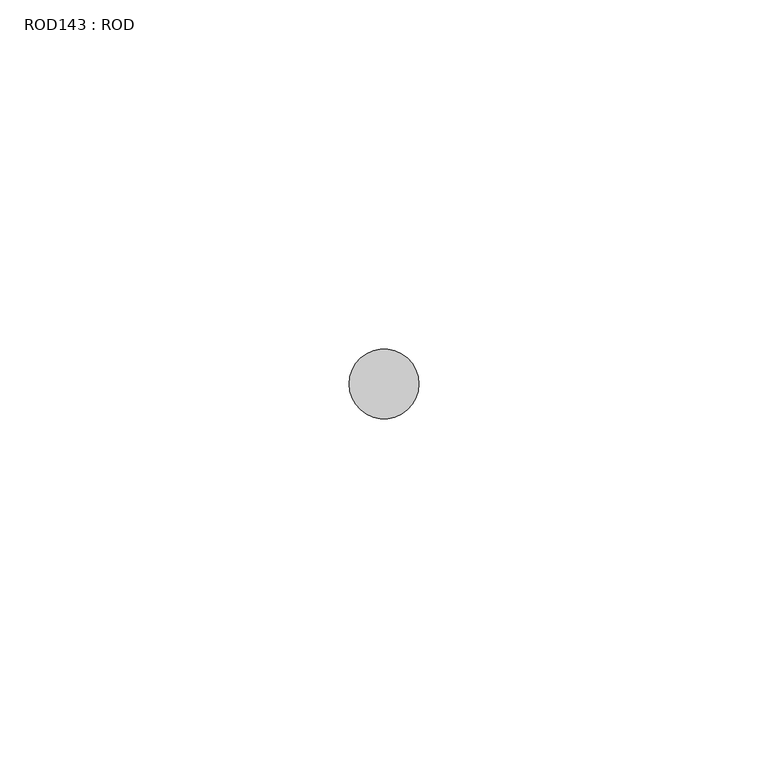
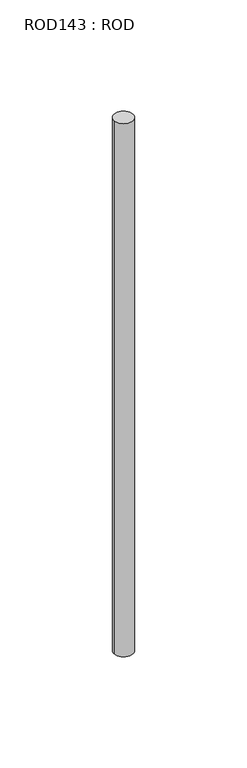
"""IFC4 building model written with IfcOpenShell, lengths in millimetres: proxy geometry, ROD143 : ROD."""

import ifcopenshell
import ifcopenshell.guid

model = None  # the IFC model being written
_history = None  # IfcOwnerHistory: only IFC2X3 demands one
_inside = {}  # id of a spatial element -> (the spatial element, [elements in it])
_under = {}  # id of a project, library or spatial element -> (it, [spatial elements below it])
_declared = {}  # id of a project -> (the project, [libraries it declares])
_typed = {}  # id of a type object -> (the type object, [elements of that type])
_made_of = {}  # id of a material, layer set ... -> (it, [elements and type objects made of it])


def new_model(schema):
    """Start an empty IFC model of exactly this schema.

    Asked for "IFC4X3", IfcOpenShell would pick the latest addendum, in which some entities
    have other attributes; the version numbers below select the first issue.
    IFC2X3 requires an IfcOwnerHistory on every rooted entity: one is made here for all.
    """
    global model, _history
    if schema == "IFC4X3":
        model = ifcopenshell.file(schema_version=(4, 3, 0, 0))
    else:
        model = ifcopenshell.file(schema=schema)
    _inside.clear()
    _under.clear()
    _declared.clear()
    _typed.clear()
    _made_of.clear()
    _history = None
    if model.schema == "IFC2X3":
        org = make("IfcOrganization", Name="unknown")
        user = make(
            "IfcPersonAndOrganization",
            ThePerson=make("IfcPerson", FamilyName="unknown"),
            TheOrganization=org,
        )
        app = make(
            "IfcApplication",
            ApplicationDeveloper=org,
            Version="unknown",
            ApplicationFullName="unknown",
            ApplicationIdentifier="unknown",
        )
        _history = make(
            "IfcOwnerHistory",
            OwningUser=user,
            OwningApplication=app,
            ChangeAction="ADDED",
            CreationDate=0,
        )
    return model


def make(cls, **values):
    """One entity of the class cls with the attributes given. An attribute that is None is left unset."""
    return model.create_entity(
        cls, **{name: value for name, value in values.items() if value is not None}
    )


def rooted(cls, **values):
    """An entity with a GlobalId (a new one), such as an element, a storey or a relation."""
    return make(cls, GlobalId=ifcopenshell.guid.new(), OwnerHistory=_history, **values)


def si_unit(unit_type, name, prefix=None):
    """IfcSIUnit, for example si_unit("LENGTHUNIT", "METRE", prefix="MILLI")."""
    return make("IfcSIUnit", UnitType=unit_type, Prefix=prefix, Name=name)


def assignment(units):
    """IfcUnitAssignment: the units of a project."""
    return None if units is None else make("IfcUnitAssignment", Units=units)


def point(xyz):
    """IfcCartesianPoint."""
    return None if xyz is None else make("IfcCartesianPoint", Coordinates=xyz)


def direction(xyz):
    """IfcDirection."""
    return None if xyz is None else make("IfcDirection", DirectionRatios=xyz)


def frame(location, z_axis=None, x_axis=None):
    """IfcAxis2Placement3D, a coordinate frame: its origin and axes. An axis left out is left unset."""
    return make(
        "IfcAxis2Placement3D",
        Location=point(location),
        Axis=direction(z_axis),
        RefDirection=direction(x_axis),
    )


def frame_2d(location, x_axis=None):
    """IfcAxis2Placement2D, a coordinate frame in the plane: its origin and x axis."""
    return make(
        "IfcAxis2Placement2D", Location=point(location), RefDirection=direction(x_axis)
    )


def origin():
    """The frame at (0, 0, 0) with its axes left unset."""
    return frame((0.0, 0.0, 0.0))


def place(relative_to, where):
    """IfcLocalPlacement: puts the frame where relative to a parent placement (None: the world)."""
    return make(
        "IfcLocalPlacement", PlacementRelTo=relative_to, RelativePlacement=where
    )


def context(
    kind, dimensions, precision=None, world=None, true_north=None, identifier=None
):
    """IfcGeometricRepresentationContext, for example the 3D "Model" context."""
    return make(
        "IfcGeometricRepresentationContext",
        ContextIdentifier=identifier,
        ContextType=kind,
        CoordinateSpaceDimension=dimensions,
        Precision=precision,
        WorldCoordinateSystem=world,
        TrueNorth=true_north,
    )


def project(units=None, contexts=None):
    """IfcProject with its units and contexts."""
    return rooted(
        "IfcProject",
        Name="project",
        RepresentationContexts=contexts,
        UnitsInContext=assignment(units),
    )


def spatial(cls, under=None, at=None, **own):
    """A site, building, storey or space (cls), placed at a placement, below another one or the project."""
    s = rooted(cls, ObjectPlacement=at, **own)
    if under is not None:
        _under.setdefault(under.id(), (under, []))[1].append(s)
    return s


def circle_curve(where, radius):
    """IfcCircle in the frame where."""
    return make("IfcCircle", Position=where, Radius=radius)


def trimmed(basis, trim1, trim2, sense, master):
    """IfcTrimmedCurve: the piece of a basis curve between two trims."""
    return make(
        "IfcTrimmedCurve",
        BasisCurve=basis,
        Trim1=trim1,
        Trim2=trim2,
        SenseAgreement=sense,
        MasterRepresentation=master,
    )


def segment(curve, same_sense, transition):
    """IfcCompositeCurveSegment."""
    return make(
        "IfcCompositeCurveSegment",
        Transition=transition,
        SameSense=same_sense,
        ParentCurve=curve,
    )


def composite_curve(segments, self_intersect=None):
    """IfcCompositeCurve: segments joined end to end."""
    return make("IfcCompositeCurve", Segments=segments, SelfIntersect=self_intersect)


def outline(outer, holes=None, kind="AREA"):
    """IfcArbitraryClosedProfileDef: a profile drawn as a closed curve; with holes, ...WithVoids."""
    if holes is None:
        return make("IfcArbitraryClosedProfileDef", ProfileType=kind, OuterCurve=outer)
    return make(
        "IfcArbitraryProfileDefWithVoids",
        ProfileType=kind,
        OuterCurve=outer,
        InnerCurves=holes,
    )


def extrude(swept, where, along, depth):
    """IfcExtrudedAreaSolid: the profile swept, set in the frame where, extruded along a direction by depth."""
    return make(
        "IfcExtrudedAreaSolid",
        SweptArea=swept,
        Position=where,
        ExtrudedDirection=direction(along),
        Depth=depth,
    )


def shape(context_of_items, identifier, shape_type, items):
    """IfcShapeRepresentation: the items that make up one representation, for example the "Body"."""
    return make(
        "IfcShapeRepresentation",
        ContextOfItems=context_of_items,
        RepresentationIdentifier=identifier,
        RepresentationType=shape_type,
        Items=items,
    )


def source(mapping_origin, context_of_items, identifier, shape_type, items):
    """IfcRepresentationMap: a shape defined once, which mapped items show again and again."""
    return make(
        "IfcRepresentationMap",
        MappingOrigin=mapping_origin,
        MappedRepresentation=shape(context_of_items, identifier, shape_type, items),
    )


def transform(
    local_origin,
    x_axis=None,
    y_axis=None,
    z_axis=None,
    scale=None,
    scale2=None,
    scale3=None,
    uniform=True,
):
    """IfcCartesianTransformationOperator3D, or its non-uniform kind. x_axis, y_axis, z_axis: its Axis1, 2, 3."""
    if uniform:
        return make(
            "IfcCartesianTransformationOperator3D",
            Axis1=direction(x_axis),
            Axis2=direction(y_axis),
            LocalOrigin=point(local_origin),
            Scale=scale,
            Axis3=direction(z_axis),
        )
    return make(
        "IfcCartesianTransformationOperator3DnonUniform",
        Axis1=direction(x_axis),
        Axis2=direction(y_axis),
        LocalOrigin=point(local_origin),
        Scale=scale,
        Axis3=direction(z_axis),
        Scale2=scale2,
        Scale3=scale3,
    )


def mapped(mapping_source, mapping_target):
    """IfcMappedItem: shows the shape of a source again, moved by a transform."""
    return make(
        "IfcMappedItem", MappingSource=mapping_source, MappingTarget=mapping_target
    )


def made_of(thing, what):
    """Note that an element or type object is made of a material, layer set ...; save() writes the relation."""
    if what is not None:
        _made_of.setdefault(what.id(), (what, []))[1].append(thing)
    return thing


def element(
    cls,
    number,
    at=None,
    inside=None,
    cuts=None,
    type_object=None,
    material=None,
    context=None,
    identifier="Body",
    shape_type=None,
    held_by="IfcProductDefinitionShape",
    body=None,
    shapes=None,
    **own,
):
    """One element of the class cls, such as IfcWall. Its Tag is "e" and its number.

    at: its placement. inside: the storey or other place that contains it. cuts: it is an
    opening in that element (IfcRelVoidsElement). A single representation is given by context,
    identifier, shape_type and body (its items); several are given by shapes. held_by: the class
    of the entity that holds the representations. save() writes the other relations.
    """
    e = rooted(cls, Tag="e%d" % number, ObjectPlacement=at, **own)
    if body is not None:
        shapes = [shape(context, identifier, shape_type, body)]
    if shapes is not None:
        e.Representation = make(held_by, Representations=shapes)
    if inside is not None:
        _inside.setdefault(inside.id(), (inside, []))[1].append(e)
    if cuts is not None:
        rooted(
            "IfcRelVoidsElement", RelatingBuildingElement=cuts, RelatedOpeningElement=e
        )
    if type_object is not None:
        _typed.setdefault(type_object.id(), (type_object, []))[1].append(e)
    return made_of(e, material)


def aggregate(whole, parts):
    """IfcRelAggregates: a whole, such as a stair, and the parts it consists of."""
    return rooted("IfcRelAggregates", RelatingObject=whole, RelatedObjects=parts)


def save(model, path):
    """Write the relations noted so far, then the file.

    IfcRelAggregates (storeys below a building ...), IfcRelContainedInSpatialStructure (elements
    in a storey), IfcRelDefinesByType, IfcRelAssociatesMaterial and IfcRelDeclares: one each for
    every whole, place, type object, material and project.
    """
    for whole, parts in _under.values():
        aggregate(whole, parts)
    for where, things in _inside.values():
        rooted(
            "IfcRelContainedInSpatialStructure",
            RelatedElements=things,
            RelatingStructure=where,
        )
    for kind, things in _typed.values():
        rooted("IfcRelDefinesByType", RelatedObjects=things, RelatingType=kind)
    for what, things in _made_of.values():
        rooted("IfcRelAssociatesMaterial", RelatedObjects=things, RelatingMaterial=what)
    for by, libraries in _declared.values():
        rooted("IfcRelDeclares", RelatingContext=by, RelatedDefinitions=libraries)
    model.write(path)


def rod143_rod_f92c3608(model_context):
    return source(origin(), model_context, "Body", "SweptSolid", [
        extrude(outline(composite_curve([segment(trimmed(circle_curve(frame_2d((-1440.2326676, -23605.8050304)), 5.0), [point((-1445.2326676, -23605.8050304))], [point((-1435.2326676, -23605.8050304))], False, "CARTESIAN"), True, "CONTINUOUS"), segment(trimmed(circle_curve(frame_2d((-1440.2326676, -23605.8050304)), 5.0), [point((-1435.2326676, -23605.8050304))], [point((-1445.2326676, -23605.8050304))], False, "CARTESIAN"), True, "CONTINUOUS")], self_intersect=False)), frame((0.0, 0.0, 166.3391155), z_axis=(0.0, 0.0, 1.0), x_axis=(1.0, 0.0, 0.0)), (0.0, 0.0, 1.0), 298.9028972),
    ])


if __name__ == "__main__":
    model = new_model("IFC4")
    model_context = context("Model", 3, world=origin())
    ifc_project = project(units=[si_unit("LENGTHUNIT", "METRE", prefix="MILLI")], contexts=[model_context])
    site = spatial("IfcSite", under=ifc_project)
    building = spatial("IfcBuilding", under=site)
    placement = place(None, origin())
    rod143_rod_shape = rod143_rod_f92c3608(model_context)
    element("IfcBuildingElementProxy", 1, Name="ROD143 : ROD", ObjectType="ROD143 : ROD", at=placement, inside=building, context=model_context, shape_type="MappedRepresentation", body=[
        mapped(rod143_rod_shape, transform((0.0, 0.0, 0.0), x_axis=(1.0, 0.0, 0.0), y_axis=(0.0, 1.0, 0.0), z_axis=(0.0, 0.0, 1.0))),
    ])
    save(model, "model.ifc")
